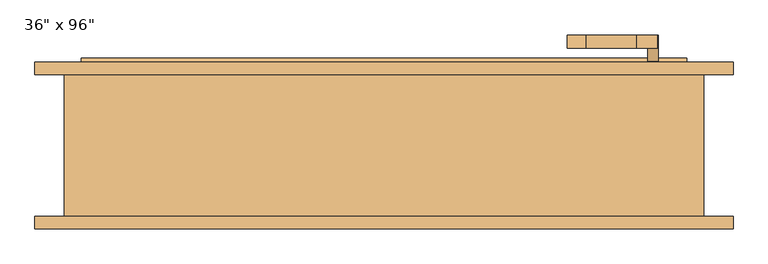
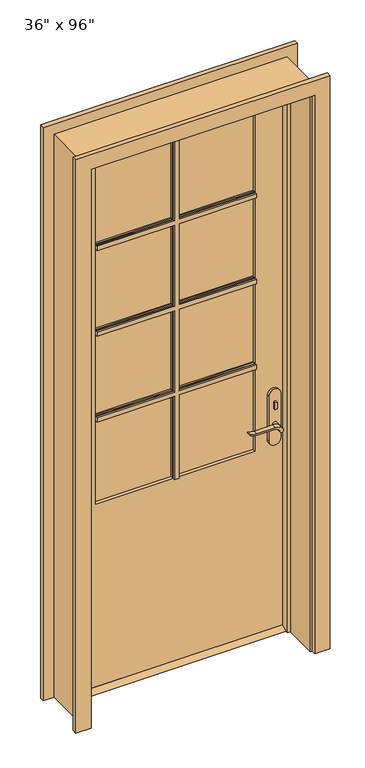
"""IFC4 building model written with IfcOpenShell, lengths in millimetres: door geometry."""

from ifc_helpers import new_model, si_unit, point, frame, frame_2d, origin, place, context, project, spatial, polyline, circle_curve, trimmed, segment, composite_curve, outline, extrude, faceted_brep, source, transform, mapped, element, save


def door_ffc243e9(model_context):
    return source(origin(), model_context, "Body", "SolidModel", [
        faceted_brep([(-330.2, 83.02625, 1946.275), (-330.2, 83.02625, 1927.225), (-330.2, 76.67625, 1927.225), (-330.2, 73.50125, 1930.4), (-330.2, 73.50125, 1943.1), (-330.2, 76.67625, 1946.275), (330.2, 83.02625, 1946.275), (330.2, 76.67625, 1946.275), (330.2, 73.50125, 1943.1), (330.2, 73.50125, 1930.4), (330.2, 76.67625, 1927.225), (330.2, 83.02625, 1927.225), (-9.525, 83.02625, 1946.275), (-9.525, 83.02625, 2311.4), (9.525, 83.02625, 2311.4), (9.525, 83.02625, 1946.275), (9.525, 83.02625, 1927.225), (9.525, 83.02625, 1571.625), (330.2, 83.02625, 1571.625), (330.2, 83.02625, 1552.575), (9.525, 83.02625, 1552.575), (9.525, 83.02625, 1196.975), (330.2, 83.02625, 1196.975), (330.2, 83.02625, 1177.925), (9.525, 83.02625, 1177.925), (9.525, 83.02625, 812.8), (-9.525, 83.02625, 812.8), (-9.525, 83.02625, 1177.925), (-330.2, 83.02625, 1177.925), (-330.2, 83.02625, 1196.975), (-9.525, 83.02625, 1196.975), (-9.525, 83.02625, 1552.575), (-330.2, 83.02625, 1552.575), (-330.2, 83.02625, 1571.625), (-9.525, 83.02625, 1571.625), (-9.525, 83.02625, 1927.225), (-9.525, 76.67625, 1927.225), (9.525, 76.67625, 1927.225), (-6.35, 73.50125, 1930.4), (6.35, 73.50125, 1930.4), (-6.35, 73.50125, 1568.45), (-330.2, 73.50125, 1568.45), (-330.2, 73.50125, 1555.75), (-6.35, 73.50125, 1555.75), (-6.35, 73.50125, 1193.8), (-330.2, 73.50125, 1193.8), (-330.2, 73.50125, 1181.1), (-6.35, 73.50125, 1181.1), (-6.35, 73.50125, 812.8), (6.35, 73.50125, 812.8), (6.35, 73.50125, 1181.1), (330.2, 73.50125, 1181.1), (330.2, 73.50125, 1193.8), (6.35, 73.50125, 1193.8), (6.35, 73.50125, 1555.75), (330.2, 73.50125, 1555.75), (330.2, 73.50125, 1568.45), (6.35, 73.50125, 1568.45), (6.35, 73.50125, 1943.1), (6.35, 73.50125, 2311.4), (-6.35, 73.50125, 2311.4), (-6.35, 73.50125, 1943.1), (-9.525, 76.67625, 1946.275), (9.525, 76.67625, 1946.275), (-9.525, 76.67625, 2311.4), (9.525, 76.67625, 2311.4), (9.525, 76.67625, 812.8), (-9.525, 76.67625, 812.8), (-9.525, 76.67625, 1571.625), (-9.525, 76.67625, 1177.925), (-9.525, 76.67625, 1552.575), (-9.525, 76.67625, 1196.975), (9.525, 76.67625, 1571.625), (9.525, 76.67625, 1177.925), (9.525, 76.67625, 1552.575), (9.525, 76.67625, 1196.975), (-330.2, 76.67625, 1552.575), (-330.2, 76.67625, 1571.625), (330.2, 76.67625, 1571.625), (330.2, 76.67625, 1552.575), (-330.2, 76.67625, 1177.925), (-330.2, 76.67625, 1196.975), (330.2, 76.67625, 1196.975), (330.2, 76.67625, 1177.925)], [[[0, 1, 2, 3, 4, 5]], [[6, 7, 8, 9, 10, 11]], [[1, 0, 12, 13, 14, 15, 6, 11, 16, 17, 18, 19, 20, 21, 22, 23, 24, 25, 26, 27, 28, 29, 30, 31, 32, 33, 34, 35]], [[2, 1, 35, 36]], [[11, 10, 37, 16]], [[3, 2, 36, 38]], [[10, 9, 39, 37]], [[4, 3, 38, 40, 41, 42, 43, 44, 45, 46, 47, 48, 49, 50, 51, 52, 53, 54, 55, 56, 57, 39, 9, 8, 58, 59, 60, 61]], [[5, 4, 61, 62]], [[8, 7, 63, 58]], [[0, 5, 62, 12]], [[7, 6, 15, 63]], [[14, 13, 64, 60, 59, 65]], [[25, 66, 49, 48, 67, 26]], [[36, 35, 34, 68]], [[64, 13, 12, 62]], [[26, 67, 69, 27]], [[70, 31, 30, 71]], [[38, 36, 68, 40]], [[60, 64, 62, 61]], [[67, 48, 47, 69]], [[43, 70, 71, 44]], [[37, 39, 57, 72]], [[65, 59, 58, 63]], [[49, 66, 73, 50]], [[74, 54, 53, 75]], [[16, 37, 72, 17]], [[14, 65, 63, 15]], [[66, 25, 24, 73]], [[20, 74, 75, 21]], [[33, 32, 76, 42, 41, 77]], [[18, 78, 56, 55, 79, 19]], [[76, 32, 31, 70]], [[19, 79, 74, 20]], [[42, 76, 70, 43]], [[79, 55, 54, 74]], [[77, 41, 40, 68]], [[56, 78, 72, 57]], [[33, 77, 68, 34]], [[78, 18, 17, 72]], [[29, 28, 80, 46, 45, 81]], [[22, 82, 52, 51, 83, 23]], [[80, 28, 27, 69]], [[23, 83, 73, 24]], [[46, 80, 69, 47]], [[83, 51, 50, 73]], [[81, 45, 44, 71]], [[52, 82, 75, 53]], [[29, 81, 71, 30]], [[82, 22, 21, 75]]]),
        faceted_brep([(-330.2, 59.055, 1196.975), (-330.2, 65.405, 1196.975), (-330.2, 68.58, 1193.8), (-330.2, 68.58, 1181.1), (-330.2, 65.405, 1177.925), (-330.2, 59.055, 1177.925), (330.2, 59.055, 1196.975), (330.2, 59.055, 1177.925), (330.2, 65.405, 1177.925), (330.2, 68.58, 1181.1), (330.2, 68.58, 1193.8), (330.2, 65.405, 1196.975), (9.525, 59.055, 1177.925), (9.525, 65.405, 1177.925), (-9.525, 65.405, 1177.925), (-9.525, 59.055, 1177.925), (6.35, 68.58, 1181.1), (-6.35, 68.58, 1181.1), (6.35, 68.58, 1193.8), (9.525, 65.405, 1196.975), (-9.525, 65.405, 1196.975), (-6.35, 68.58, 1193.8), (9.525, 59.055, 1196.975), (-9.525, 59.055, 1196.975), (-330.2, 59.055, 1571.625), (-330.2, 65.405, 1571.625), (-330.2, 68.58, 1568.45), (-330.2, 68.58, 1555.75), (-330.2, 65.405, 1552.575), (-330.2, 59.055, 1552.575), (330.2, 59.055, 1571.625), (330.2, 59.055, 1552.575), (330.2, 65.405, 1552.575), (330.2, 68.58, 1555.75), (330.2, 68.58, 1568.45), (330.2, 65.405, 1571.625), (9.525, 59.055, 1552.575), (9.525, 65.405, 1552.575), (-9.525, 65.405, 1552.575), (-9.525, 59.055, 1552.575), (6.35, 68.58, 1555.75), (-6.35, 68.58, 1555.75), (6.35, 68.58, 1568.45), (9.525, 65.405, 1571.625), (-9.525, 65.405, 1571.625), (-6.35, 68.58, 1568.45), (9.525, 59.055, 1571.625), (-9.525, 59.055, 1571.625), (-330.2, 59.055, 1946.275), (-330.2, 65.405, 1946.275), (-330.2, 68.58, 1943.1), (-330.2, 68.58, 1930.4), (-330.2, 65.405, 1927.225), (-330.2, 59.055, 1927.225), (330.2, 59.055, 1946.275), (330.2, 59.055, 1927.225), (330.2, 65.405, 1927.225), (330.2, 68.58, 1930.4), (330.2, 68.58, 1943.1), (330.2, 65.405, 1946.275), (-9.525, 59.055, 1927.225), (-9.525, 59.055, 812.8), (9.525, 59.055, 812.8), (9.525, 59.055, 1927.225), (9.525, 59.055, 1946.275), (9.525, 59.055, 2311.4), (-9.525, 59.055, 2311.4), (-9.525, 59.055, 1946.275), (9.525, 65.405, 1927.225), (-9.525, 65.405, 1927.225), (6.35, 68.58, 1930.4), (-6.35, 68.58, 1930.4), (-6.35, 68.58, 1943.1), (-6.35, 68.58, 2311.4), (6.35, 68.58, 2311.4), (6.35, 68.58, 1943.1), (6.35, 68.58, 812.8), (-6.35, 68.58, 812.8), (9.525, 65.405, 1946.275), (-9.525, 65.405, 1946.275), (9.525, 65.405, 2311.4), (-9.525, 65.405, 2311.4), (-9.525, 65.405, 812.8), (9.525, 65.405, 812.8)], [[[0, 1, 2, 3, 4, 5]], [[6, 7, 8, 9, 10, 11]], [[7, 12, 13, 8]], [[4, 14, 15, 5]], [[8, 13, 16, 9]], [[3, 17, 14, 4]], [[10, 18, 19, 11]], [[1, 20, 21, 2]], [[11, 19, 22, 6]], [[0, 23, 20, 1]], [[24, 25, 26, 27, 28, 29]], [[30, 31, 32, 33, 34, 35]], [[31, 36, 37, 32]], [[28, 38, 39, 29]], [[32, 37, 40, 33]], [[27, 41, 38, 28]], [[34, 42, 43, 35]], [[25, 44, 45, 26]], [[35, 43, 46, 30]], [[24, 47, 44, 25]], [[48, 49, 50, 51, 52, 53]], [[54, 55, 56, 57, 58, 59]], [[53, 60, 47, 24, 29, 39, 23, 0, 5, 15, 61, 62, 12, 7, 6, 22, 36, 31, 30, 46, 63, 55, 54, 64, 65, 66, 67, 48]], [[55, 63, 68, 56]], [[52, 69, 60, 53]], [[56, 68, 70, 57]], [[51, 71, 69, 52]], [[50, 72, 73, 74, 75, 58, 57, 70, 42, 34, 33, 40, 18, 10, 9, 16, 76, 77, 17, 3, 2, 21, 41, 27, 26, 45, 71, 51]], [[58, 75, 78, 59]], [[49, 79, 72, 50]], [[48, 67, 79, 49]], [[59, 78, 64, 54]], [[65, 80, 74, 73, 81, 66]], [[62, 61, 82, 77, 76, 83]], [[61, 15, 14, 82]], [[69, 44, 47, 60]], [[38, 20, 23, 39]], [[81, 79, 67, 66]], [[73, 72, 79, 81]], [[41, 21, 20, 38]], [[71, 45, 44, 69]], [[82, 14, 17, 77]], [[76, 16, 13, 83]], [[80, 78, 75, 74]], [[68, 43, 42, 70]], [[37, 19, 18, 40]], [[36, 22, 19, 37]], [[63, 46, 43, 68]], [[65, 64, 78, 80]], [[83, 13, 12, 62]]]),
        extrude(outline(polyline([(69.05625, 12.7), (103.98125, 12.7), (129.38125, 0.0), (43.65625, 0.0), (69.05625, 12.7)])), frame((-457.2, 0.0, 0.0), z_axis=(1.0, 0.0, 0.0), x_axis=(0.0, 1.0, 0.0)), (0.0, 0.0, 1.0), 914.4),
        extrude(outline(polyline([(411.4, 49.05625), (401.4, 49.05625), (401.4, 59.05625), (411.4, 59.05625), (411.4, 49.05625)])), frame((0.0, 0.0, 981.9), z_axis=(0.0, 0.0, 1.0), x_axis=(1.0, 0.0, 0.0)), (0.0, 0.0, 1.0), 30.0),
        extrude(outline(composite_curve([segment(trimmed(circle_curve(frame_2d((996.9, 406.4)), 8.0), [point((996.9, 398.4))], [point((996.9, 414.4))], False, "CARTESIAN"), True, "CONTINUOUS"), segment(trimmed(circle_curve(frame_2d((996.9, 406.4)), 8.0), [point((996.9, 414.4))], [point((996.9, 398.4))], False, "CARTESIAN"), True, "CONTINUOUS")], self_intersect=False)), frame((0.0, 113.98125, 0.0), z_axis=(0.0, 1.0, 0.0), x_axis=(0.0, 0.0, 1.0)), (0.0, 0.0, 1.0), 10.0),
        extrude(outline(composite_curve([segment(trimmed(circle_curve(frame_2d((897.1555521, 382.7324871)), 37.2832219), [point((919.0523287, 412.9081363))], [point((934.4, 381.0325667))], False, "CARTESIAN"), True, "CONTINUOUS"), segment(polyline([(934.4, 381.0325667), (934.4, 304.7564091)]), True, "CONTINUOUS"), segment(trimmed(circle_curve(frame_2d((1017.6850638, 304.8227909)), 83.2850902), [point((934.4, 304.7564091))], [point((939.4, 276.4))], True, "CARTESIAN"), True, "CONTINUOUS"), segment(polyline([(939.4, 276.4), (936.6135558, 276.4)]), True, "CONTINUOUS"), segment(trimmed(circle_curve(frame_2d((986.6709207, 308.3396612)), 59.3791355), [point((936.6135558, 276.4))], [point((927.4, 304.7564091))], False, "CARTESIAN"), True, "CONTINUOUS"), segment(polyline([(927.4, 304.7564091), (927.4, 381.0138099)]), True, "CONTINUOUS"), segment(trimmed(circle_curve(frame_2d((909.2738613, 381.0138099)), 18.1261387), [point((927.4, 381.0138099))], [point((914.4, 398.4))], True, "CARTESIAN"), True, "CONTINUOUS"), segment(trimmed(circle_curve(frame_2d((914.4, 406.4)), 8.0), [point((914.4, 398.4))], [point((919.0523287, 412.9081363))], False, "CARTESIAN"), True, "CONTINUOUS")], self_intersect=False)), frame((0.0, 9.05625, 0.0), z_axis=(0.0, 1.0, 0.0), x_axis=(0.0, 0.0, 1.0)), (0.0, 0.0, 1.0), 20.0),
        extrude(outline(composite_curve([segment(trimmed(circle_curve(frame_2d((914.4, 406.4)), 8.0), [point((914.3999903, 398.4))], [point((919.0523287, 412.9081363))], False, "CARTESIAN"), True, "CONTINUOUS"), segment(trimmed(circle_curve(frame_2d((897.1555521, 382.7324871)), 37.2832219), [point((919.0523287, 412.9081363))], [point((934.4, 381.0325667))], False, "CARTESIAN"), True, "CONTINUOUS"), segment(polyline([(934.4, 381.0325667), (934.4, 304.7564091)]), True, "CONTINUOUS"), segment(trimmed(circle_curve(frame_2d((1017.6850638, 304.8227909)), 83.2850902), [point((934.4, 304.7564091))], [point((939.4, 276.4))], True, "CARTESIAN"), True, "CONTINUOUS"), segment(polyline([(939.4, 276.4), (936.6135558, 276.4)]), True, "CONTINUOUS"), segment(trimmed(circle_curve(frame_2d((986.6709207, 308.3396612)), 59.3791355), [point((936.6135558, 276.4))], [point((927.4, 304.7564091))], False, "CARTESIAN"), True, "CONTINUOUS"), segment(polyline([(927.4, 304.7564091), (927.4, 381.0138122)]), True, "CONTINUOUS"), segment(trimmed(circle_curve(frame_2d((909.2738682, 381.0138122)), 18.1261318), [point((927.4, 381.0138122))], [point((914.3999903, 398.4))], True, "CARTESIAN"), True, "CONTINUOUS")], self_intersect=False)), frame((0.0, 143.98125, 0.0), z_axis=(0.0, 1.0, 0.0), x_axis=(0.0, 0.0, 1.0)), (0.0, 0.0, 1.0), 20.0),
        extrude(outline(composite_curve([segment(trimmed(circle_curve(frame_2d((914.4, 406.4)), 8.0), [point((914.4, 398.4))], [point((914.4, 414.4))], False, "CARTESIAN"), True, "CONTINUOUS"), segment(trimmed(circle_curve(frame_2d((914.4, 406.4)), 8.0), [point((914.4, 414.4))], [point((914.4, 398.4))], False, "CARTESIAN"), True, "CONTINUOUS")], self_intersect=False)), frame((0.0, 29.05625, 0.0), z_axis=(0.0, 1.0, 0.0), x_axis=(0.0, 0.0, 1.0)), (0.0, 0.0, 1.0), 30.0),
        extrude(outline(composite_curve([segment(trimmed(circle_curve(frame_2d((914.4, 406.4)), 8.0), [point((914.4, 398.4))], [point((914.4, 414.4))], False, "CARTESIAN"), True, "CONTINUOUS"), segment(trimmed(circle_curve(frame_2d((914.4, 406.4)), 8.0), [point((914.4, 414.4))], [point((914.4, 398.4))], False, "CARTESIAN"), True, "CONTINUOUS")], self_intersect=False)), frame((0.0, 113.98125, 0.0), z_axis=(0.0, 1.0, 0.0), x_axis=(0.0, 0.0, 1.0)), (0.0, 0.0, 1.0), 30.0),
        extrude(outline(composite_curve([segment(polyline([(844.4, 431.4), (1039.4, 431.4)]), True, "CONTINUOUS"), segment(trimmed(circle_curve(frame_2d((1039.4, 406.4)), 25.0), [point((1039.4, 431.4))], [point((1039.4, 381.4))], False, "CARTESIAN"), True, "CONTINUOUS"), segment(polyline([(1039.4, 381.4), (844.4, 381.4)]), True, "CONTINUOUS"), segment(trimmed(circle_curve(frame_2d((844.4, 406.4)), 25.0), [point((844.4, 381.4))], [point((844.4, 431.4))], False, "CARTESIAN"), True, "CONTINUOUS")], self_intersect=False)), frame((0.0, 59.05625, 0.0), z_axis=(0.0, 1.0, 0.0), x_axis=(0.0, 0.0, 1.0)), (0.0, 0.0, 1.0), 10.0),
        extrude(outline(composite_curve([segment(polyline([(844.4, 431.4), (1039.4, 431.4)]), True, "CONTINUOUS"), segment(trimmed(circle_curve(frame_2d((1039.4, 406.4)), 25.0), [point((1039.4, 431.4))], [point((1039.4, 381.4))], False, "CARTESIAN"), True, "CONTINUOUS"), segment(polyline([(1039.4, 381.4), (844.4, 381.4)]), True, "CONTINUOUS"), segment(trimmed(circle_curve(frame_2d((844.4, 406.4)), 25.0), [point((844.4, 381.4))], [point((844.4, 431.4))], False, "CARTESIAN"), True, "CONTINUOUS")], self_intersect=False)), frame((0.0, 103.98125, 0.0), z_axis=(0.0, 1.0, 0.0), x_axis=(0.0, 0.0, 1.0)), (0.0, 0.0, 1.0), 10.0),
        extrude(outline(polyline([(2438.4, -457.2), (12.7, -457.2), (12.7, 457.2), (2438.4, 457.2), (2438.4, -457.2)]), holes=[polyline([(812.8, -330.2), (2311.4, -330.2), (2311.4, 330.2), (812.8, 330.2), (812.8, -330.2)])]), frame((0.0, 69.05625, 0.0), z_axis=(0.0, 1.0, 0.0), x_axis=(0.0, 0.0, 1.0)), (0.0, 0.0, 1.0), 34.925),
        faceted_brep([(482.6, 103.98125, 0.0), (482.6, -110.33125, 0.0), (457.2, -110.33125, 0.0), (457.2, 34.13125, 0.0), (444.5, 34.13125, 0.0), (444.5, 69.05625, 0.0), (457.2, 69.05625, 0.0), (457.2, 103.98125, 0.0), (482.6, 103.98125, 2463.8), (482.6, -110.33125, 2463.8), (-482.6, -110.33125, 2463.8), (-482.6, -110.33125, 0.0), (-457.2, -110.33125, 0.0), (-457.2, -110.33125, 2438.4), (457.2, -110.33125, 2438.4), (457.2, 34.13125, 2438.4), (-457.2, 34.13125, 2438.4), (-457.2, 34.13125, 0.0), (-444.5, 34.13125, 0.0), (-444.5, 34.13125, 2425.7), (444.5, 34.13125, 2425.7), (444.5, 69.05625, 2425.7), (-444.5, 69.05625, 2425.7), (-444.5, 69.05625, 0.0), (-457.2, 69.05625, 0.0), (-457.2, 69.05625, 2438.4), (457.2, 69.05625, 2438.4), (457.2, 103.98125, 2438.4), (-457.2, 103.98125, 2438.4), (-457.2, 103.98125, 0.0), (-482.6, 103.98125, 0.0), (-482.6, 103.98125, 2463.8)], [[[0, 1, 2, 3, 4, 5, 6, 7]], [[1, 0, 8, 9]], [[2, 1, 9, 10, 11, 12, 13, 14]], [[3, 2, 14, 15]], [[4, 3, 15, 16, 17, 18, 19, 20]], [[5, 4, 20, 21]], [[6, 5, 21, 22, 23, 24, 25, 26]], [[7, 6, 26, 27]], [[0, 7, 27, 28, 29, 30, 31, 8]], [[9, 8, 31, 10]], [[15, 14, 13, 16]], [[21, 20, 19, 22]], [[27, 26, 25, 28]], [[30, 29, 24, 23, 18, 17, 12, 11]], [[10, 31, 30, 11]], [[16, 13, 12, 17]], [[22, 19, 18, 23]], [[28, 25, 24, 29]]]),
        extrude(outline(polyline([(330.2, 83.02625), (-330.2, 83.02625), (-330.2, 90.01125), (330.2, 90.01125), (330.2, 83.02625)])), frame((0.0, 0.0, 812.8), z_axis=(0.0, 0.0, 1.0), x_axis=(1.0, 0.0, 0.0)), (0.0, 0.0, 1.0), 1498.6),
        extrude(outline(polyline([(0.0, -527.05), (0.0, -463.55), (2444.75, -463.55), (2444.75, 463.55), (0.0, 463.55), (0.0, 527.05), (2508.25, 527.05), (2508.25, -527.05), (0.0, -527.05)])), frame((0.0, -129.38125, 0.0), z_axis=(0.0, 1.0, 0.0), x_axis=(0.0, 0.0, 1.0)), (0.0, 0.0, 1.0), 19.05),
        extrude(outline(polyline([(0.0, -527.05), (0.0, -463.55), (2444.75, -463.55), (2444.75, 463.55), (0.0, 463.55), (0.0, 527.05), (2508.25, 527.05), (2508.25, -527.05), (0.0, -527.05)])), frame((0.0, 103.98125, 0.0), z_axis=(0.0, 1.0, 0.0), x_axis=(0.0, 0.0, 1.0)), (0.0, 0.0, 1.0), 19.05),
    ])


if __name__ == "__main__":
    model = new_model("IFC4")
    model_context = context("Model", 3, world=origin())
    ifc_project = project(units=[si_unit("LENGTHUNIT", "METRE", prefix="MILLI")], contexts=[model_context])
    site = spatial("IfcSite", under=ifc_project)
    building = spatial("IfcBuilding", under=site)
    placement = place(None, origin())
    door_shape = door_ffc243e9(model_context)
    element("IfcDoor", 1, ObjectType="36\" x 96\"", at=placement, inside=building, context=model_context, shape_type="MappedRepresentation", body=[
        mapped(door_shape, transform((0.0, 0.0, 0.0), x_axis=(1.0, 0.0, 0.0), y_axis=(0.0, 1.0, 0.0), z_axis=(0.0, 0.0, 1.0))),
    ])
    save(model, "model.ifc")
